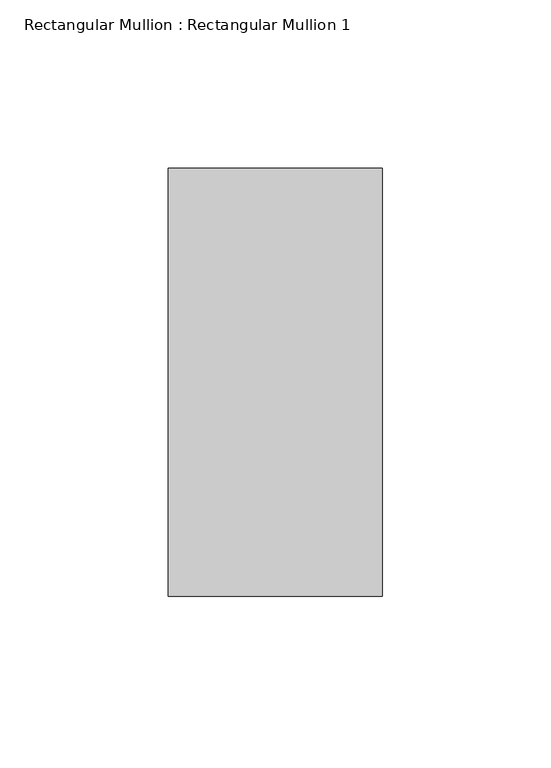
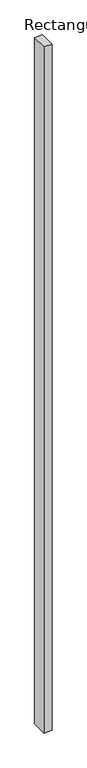
"""IFC4 building model written with IfcOpenShell, lengths in millimetres: member geometry, Rectangular Mullion : Rectangular Mullion 1."""

from ifc_helpers import new_model, si_unit, frame, origin, place, context, project, spatial, polyline, outline, extrude, source, transform, mapped, element, save


def rectangular_mullion_rectangular_mullion_1_d2dd319f(model_context):
    return source(origin(), model_context, "Body", "SweptSolid", [
        extrude(outline(polyline([(31.75, 63.5), (31.75, -63.5), (-31.75, -63.5), (-31.75, 63.5), (31.75, 63.5)])), frame((0.0, 0.0, -5727.7), z_axis=(0.0, 0.0, 1.0), x_axis=(1.0, 0.0, 0.0)), (0.0, 0.0, 1.0), 5727.7),
    ])


if __name__ == "__main__":
    model = new_model("IFC4")
    model_context = context("Model", 3, world=origin())
    ifc_project = project(units=[si_unit("LENGTHUNIT", "METRE", prefix="MILLI")], contexts=[model_context])
    site = spatial("IfcSite", under=ifc_project)
    building = spatial("IfcBuilding", under=site)
    placement = place(None, origin())
    rectangular_mullion_rectangular_mullion_1_shape = rectangular_mullion_rectangular_mullion_1_d2dd319f(model_context)
    element("IfcMember", 1, ObjectType="Rectangular Mullion : Rectangular Mullion 1", at=placement, inside=building, context=model_context, shape_type="MappedRepresentation", body=[
        mapped(rectangular_mullion_rectangular_mullion_1_shape, transform((0.0, 0.0, 0.0), x_axis=(1.0, 0.0, 0.0), y_axis=(0.0, 1.0, 0.0), z_axis=(0.0, 0.0, 1.0))),
    ])
    save(model, "model.ifc")
